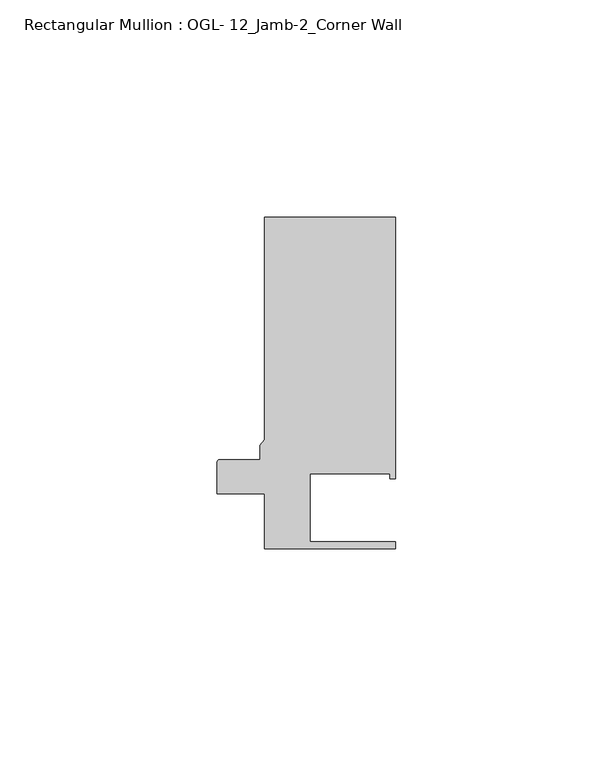
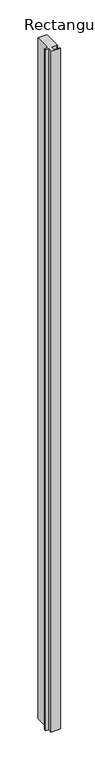
"""IFC4 building model written with IfcOpenShell, lengths in millimetres: member geometry, Rectangular Mullion : OGL- 12_Jamb-2_Corner Wall."""

from ifc_helpers import new_model, si_unit, point, frame, frame_2d, origin, place, context, project, spatial, polyline, circle_curve, trimmed, segment, composite_curve, outline, extrude, source, transform, mapped, element, save


def rectangular_mullion_ogl_12_jamb_2_corner_wall_3de9021b(model_context):
    return source(origin(), model_context, "Body", "SweptSolid", [
        extrude(outline(composite_curve([segment(polyline([(8.42e-05, 5.0601563), (-10.8303507, 5.0601563), (-10.8303507, 12.304119)]), True, "CONTINUOUS"), segment(trimmed(circle_curve(frame_2d((-10.2698387, 12.304119)), 0.560512), [point((-10.8303507, 12.304119))], [point((-10.2698387, 12.864631))], False, "CARTESIAN"), True, "CONTINUOUS"), segment(polyline([(-10.2698387, 12.864631), (-0.9248338, 12.864631), (-0.9248338, 16.2133749), (0.0, 17.4862994), (0.0, 68.5598354), (30.1589768, 68.5598354), (30.1589768, 8.4890586), (28.9030475, 8.4890586), (28.9030475, 9.6344214), (10.4970964, 9.6344214), (10.4970964, -6.0523597), (30.1498825, -6.0523597), (30.1498825, -7.6398597), (8.42e-05, -7.6398597), (8.42e-05, 5.0601563)]), True, "CONTINUOUS")], self_intersect=False)), frame((0.0, 0.0, -2386.0078176), z_axis=(0.0, 0.0, 1.0), x_axis=(1.0, 0.0, 0.0)), (0.0, 0.0, 1.0), 2386.0078176),
    ])


if __name__ == "__main__":
    model = new_model("IFC4")
    model_context = context("Model", 3, world=origin())
    ifc_project = project(units=[si_unit("LENGTHUNIT", "METRE", prefix="MILLI")], contexts=[model_context])
    site = spatial("IfcSite", under=ifc_project)
    building = spatial("IfcBuilding", under=site)
    placement = place(None, origin())
    rectangular_mullion_ogl_12_jamb_2_corner_wall_shape = rectangular_mullion_ogl_12_jamb_2_corner_wall_3de9021b(model_context)
    element("IfcMember", 1, ObjectType="Rectangular Mullion : OGL- 12_Jamb-2_Corner Wall", at=placement, inside=building, context=model_context, shape_type="MappedRepresentation", body=[
        mapped(rectangular_mullion_ogl_12_jamb_2_corner_wall_shape, transform((0.0, 0.0, 0.0), x_axis=(1.0, 0.0, 0.0), y_axis=(0.0, 1.0, 0.0), z_axis=(0.0, 0.0, 1.0))),
    ])
    save(model, "model.ifc")
